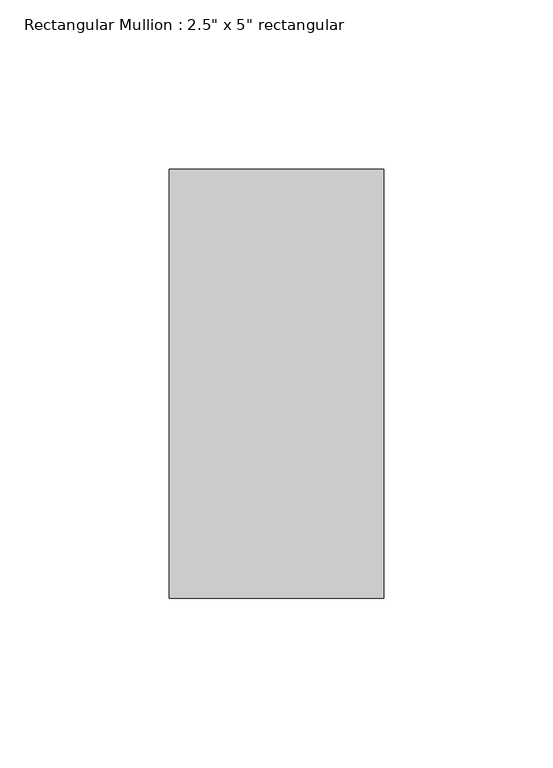
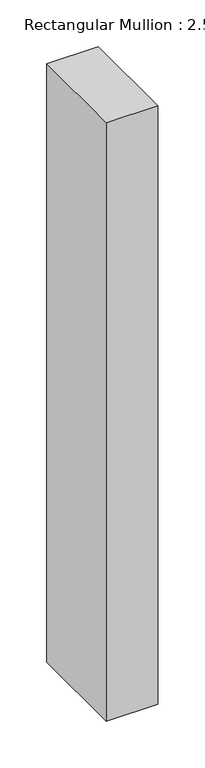
"""IFC4 building model written with IfcOpenShell, lengths in millimetres: member geometry."""

from ifc_helpers import new_model, si_unit, frame, origin, place, context, project, spatial, polyline, outline, extrude, source, transform, mapped, element, save


def member_845b58e4(model_context):
    return source(origin(), model_context, "Body", "SweptSolid", [
        extrude(outline(polyline([(31.75, 63.5), (31.75, -63.5), (-31.75, -63.5), (-31.75, 63.5), (31.75, 63.5)])), frame((0.0, 0.0, -779.9602327), z_axis=(0.0, 0.0, 1.0), x_axis=(1.0, 0.0, 0.0)), (0.0, 0.0, 1.0), 779.9602327),
    ])


if __name__ == "__main__":
    model = new_model("IFC4")
    model_context = context("Model", 3, world=origin())
    ifc_project = project(units=[si_unit("LENGTHUNIT", "METRE", prefix="MILLI")], contexts=[model_context])
    site = spatial("IfcSite", under=ifc_project)
    building = spatial("IfcBuilding", under=site)
    placement = place(None, origin())
    member_shape = member_845b58e4(model_context)
    element("IfcMember", 1, ObjectType="Rectangular Mullion : 2.5\" x 5\" rectangular", at=placement, inside=building, context=model_context, shape_type="MappedRepresentation", body=[
        mapped(member_shape, transform((0.0, 0.0, 0.0), x_axis=(1.0, 0.0, 0.0), y_axis=(0.0, 1.0, 0.0), z_axis=(0.0, 0.0, 1.0))),
    ])
    save(model, "model.ifc")
